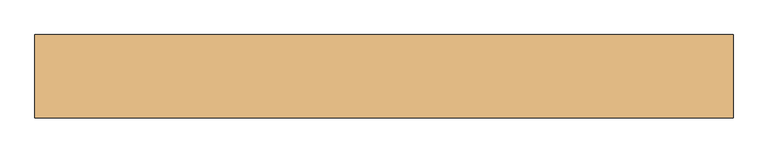
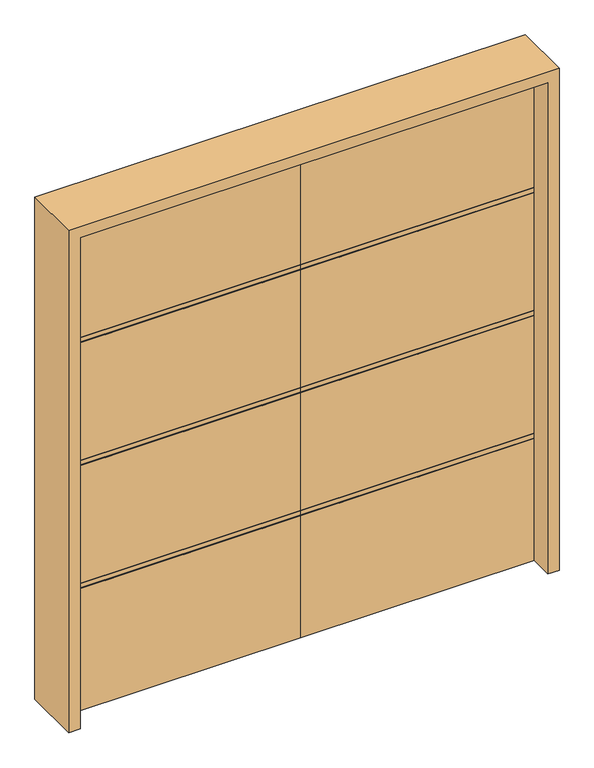
"""IFC4 building model written with IfcOpenShell, lengths in millimetres: door geometry."""

from ifc_helpers import new_model, si_unit, frame, origin, place, context, project, spatial, polyline, outline, extrude, source, transform, mapped, element, save


def door_741dabff(model_context):
    return source(origin(), model_context, "Body", "SweptSolid", [
        extrude(outline(polyline([(22.225, 2032.0), (22.225, 1545.336), (18.923, 1545.336), (18.923, 1542.034), (22.225, 1542.034), (22.225, 1525.27), (18.923, 1525.27), (18.923, 1521.968), (22.225, 1521.968), (22.225, 1036.828), (18.923, 1036.828), (18.923, 1033.526), (22.225, 1033.526), (22.225, 1016.762), (18.923, 1016.762), (18.923, 1013.46), (22.225, 1013.46), (22.225, 528.32), (18.923, 528.32), (18.923, 525.018), (22.225, 525.018), (22.225, 508.254), (18.923, 508.254), (18.923, 504.952), (22.225, 504.952), (22.225, 0.0), (-22.225, 0.0), (-22.225, 504.952), (-18.923, 504.952), (-18.923, 508.254), (-22.225, 508.254), (-22.225, 525.018), (-18.923, 525.018), (-18.923, 528.32), (-22.225, 528.32), (-22.225, 1013.46), (-18.923, 1013.46), (-18.923, 1016.762), (-22.225, 1016.762), (-22.225, 1033.526), (-18.923, 1033.526), (-18.923, 1036.828), (-22.225, 1036.828), (-22.225, 1521.968), (-18.923, 1521.968), (-18.923, 1525.27), (-22.225, 1525.27), (-22.225, 1542.034), (-18.923, 1542.034), (-18.923, 1545.336), (-22.225, 1545.336), (-22.225, 2032.0), (22.225, 2032.0)])), frame((-914.4, 0.0, 0.0), z_axis=(1.0, 0.0, 0.0), x_axis=(0.0, 1.0, 0.0)), (0.0, 0.0, 1.0), 914.4),
        extrude(outline(polyline([(-22.225, 2032.0), (22.225, 2032.0), (22.225, 1545.336), (18.923, 1545.336), (18.923, 1542.034), (22.225, 1542.034), (22.225, 1525.27), (18.923, 1525.27), (18.923, 1521.968), (22.225, 1521.968), (22.225, 1036.828), (18.923, 1036.828), (18.923, 1033.526), (22.225, 1033.526), (22.225, 1016.762), (18.923, 1016.762), (18.923, 1013.46), (22.225, 1013.46), (22.225, 528.32), (18.923, 528.32), (18.923, 525.018), (22.225, 525.018), (22.225, 508.254), (18.923, 508.254), (18.923, 504.952), (22.225, 504.952), (22.225, 0.0), (-22.225, 0.0), (-22.225, 504.952), (-18.923, 504.952), (-18.923, 508.254), (-22.225, 508.254), (-22.225, 525.018), (-18.923, 525.018), (-18.923, 528.32), (-22.225, 528.32), (-22.225, 1013.46), (-18.923, 1013.46), (-18.923, 1016.762), (-22.225, 1016.762), (-22.225, 1033.526), (-18.923, 1033.526), (-18.923, 1036.828), (-22.225, 1036.828), (-22.225, 1521.968), (-18.923, 1521.968), (-18.923, 1525.27), (-22.225, 1525.27), (-22.225, 1542.034), (-18.923, 1542.034), (-18.923, 1545.336), (-22.225, 1545.336), (-22.225, 2032.0)])), frame((0.0, 0.0, 0.0), z_axis=(1.0, 0.0, 0.0), x_axis=(0.0, 1.0, 0.0)), (0.0, 0.0, 1.0), 914.4),
        extrude(outline(polyline([(0.0, -914.4), (2032.0, -914.4), (2032.0, 914.4), (0.0, 914.4), (0.0, 958.85), (2076.45, 958.85), (2076.45, -958.85), (0.0, -958.85), (0.0, -914.4)])), frame((0.0, -114.3, 0.0), z_axis=(0.0, 1.0, 0.0), x_axis=(0.0, 0.0, 1.0)), (0.0, 0.0, 1.0), 228.6),
    ])


if __name__ == "__main__":
    model = new_model("IFC4")
    model_context = context("Model", 3, world=origin())
    ifc_project = project(units=[si_unit("LENGTHUNIT", "METRE", prefix="MILLI")], contexts=[model_context])
    site = spatial("IfcSite", under=ifc_project)
    building = spatial("IfcBuilding", under=site)
    placement = place(None, origin())
    door_shape = door_741dabff(model_context)
    element("IfcDoor", 1, at=placement, inside=building, context=model_context, shape_type="MappedRepresentation", body=[
        mapped(door_shape, transform((0.0, 0.0, 0.0), x_axis=(1.0, 0.0, 0.0), y_axis=(0.0, 1.0, 0.0), z_axis=(0.0, 0.0, 1.0))),
    ])
    save(model, "model.ifc")
